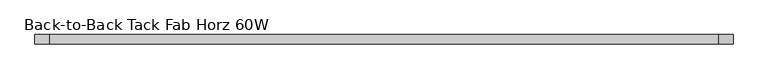
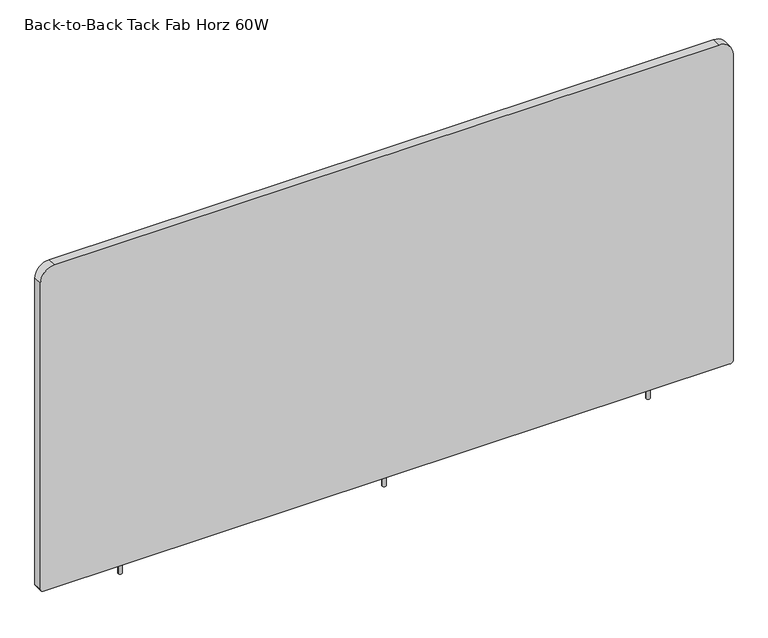
"""IFC4 building model written with IfcOpenShell, lengths in millimetres: furniture geometry, Back-to-Back Tack Fab Horz 60W."""

from ifc_helpers import new_model, si_unit, point, frame, frame_2d, origin, place, context, project, spatial, polyline, circle_curve, trimmed, segment, composite_curve, outline, extrude, source, transform, mapped, element, save


def back_to_back_tack_fab_horz_60w_ec21c664(model_context):
    return source(origin(), model_context, "Body", "SweptSolid", [
        extrude(outline(composite_curve([segment(trimmed(circle_curve(frame_2d((711.2, 0.0)), 3.81), [point((707.39, 0.0))], [point((715.01, 0.0))], False, "CARTESIAN"), True, "CONTINUOUS"), segment(trimmed(circle_curve(frame_2d((711.2, 0.0)), 3.81), [point((715.01, 0.0))], [point((707.39, 0.0))], False, "CARTESIAN"), True, "CONTINUOUS")], self_intersect=False)), frame((0.0, 0.0, 433.4256), z_axis=(0.0, 0.0, 1.0), x_axis=(1.0, 0.0, 0.0)), (0.0, 0.0, 1.0), 26.3906),
        extrude(outline(composite_curve([segment(trimmed(circle_curve(frame_2d((1253.109, 0.0)), 3.81), [point((1249.299, 0.0))], [point((1256.919, 0.0))], False, "CARTESIAN"), True, "CONTINUOUS"), segment(trimmed(circle_curve(frame_2d((1253.109, 0.0)), 3.81), [point((1256.919, 0.0))], [point((1249.299, 0.0))], False, "CARTESIAN"), True, "CONTINUOUS")], self_intersect=False)), frame((0.0, 0.0, 433.4256), z_axis=(0.0, 0.0, 1.0), x_axis=(1.0, 0.0, 0.0)), (0.0, 0.0, 1.0), 26.3906),
        extrude(outline(composite_curve([segment(trimmed(circle_curve(frame_2d((169.291, 0.0)), 3.81), [point((165.481, 0.0))], [point((173.101, 0.0))], False, "CARTESIAN"), True, "CONTINUOUS"), segment(trimmed(circle_curve(frame_2d((169.291, 0.0)), 3.81), [point((173.101, 0.0))], [point((165.481, 0.0))], False, "CARTESIAN"), True, "CONTINUOUS")], self_intersect=False)), frame((0.0, 0.0, 433.4256), z_axis=(0.0, 0.0, 1.0), x_axis=(1.0, 0.0, 0.0)), (0.0, 0.0, 1.0), 26.3906),
        extrude(outline(composite_curve([segment(polyline([(1156.5382, 1392.5042), (1156.5382, 29.8958)]), True, "CONTINUOUS"), segment(trimmed(circle_curve(frame_2d((1126.6424, 29.8958)), 29.8958), [point((1156.5382, 29.8958))], [point((1126.6424, 0.0))], False, "CARTESIAN"), True, "CONTINUOUS"), segment(polyline([(1126.6424, 0.0), (462.6102, 0.0)]), True, "CONTINUOUS"), segment(trimmed(circle_curve(frame_2d((462.6102, 6.35)), 6.35), [point((462.6102, 0.0))], [point((456.2602, 6.35))], False, "CARTESIAN"), True, "CONTINUOUS"), segment(polyline([(456.2602, 6.35), (456.2602, 1416.05)]), True, "CONTINUOUS"), segment(trimmed(circle_curve(frame_2d((462.6102, 1416.05)), 6.35), [point((456.2602, 1416.05))], [point((462.6102, 1422.4))], False, "CARTESIAN"), True, "CONTINUOUS"), segment(polyline([(462.6102, 1422.4), (1126.6424, 1422.4)]), True, "CONTINUOUS"), segment(trimmed(circle_curve(frame_2d((1126.6424, 1392.5042)), 29.8958), [point((1126.6424, 1422.4))], [point((1156.5382, 1392.5042))], False, "CARTESIAN"), True, "CONTINUOUS")], self_intersect=False)), frame((0.0, -9.5295067, 0.0), z_axis=(0.0, 1.0, 0.0), x_axis=(0.0, 0.0, 1.0)), (0.0, 0.0, 1.0), 19.05),
    ])


if __name__ == "__main__":
    model = new_model("IFC4")
    model_context = context("Model", 3, world=origin())
    ifc_project = project(units=[si_unit("LENGTHUNIT", "METRE", prefix="MILLI")], contexts=[model_context])
    site = spatial("IfcSite", under=ifc_project)
    building = spatial("IfcBuilding", under=site)
    placement = place(None, origin())
    back_to_back_tack_fab_horz_60w_shape = back_to_back_tack_fab_horz_60w_ec21c664(model_context)
    element("IfcFurniture", 1, ObjectType="Back-to-Back Tack Fab Horz 60W", at=placement, inside=building, context=model_context, shape_type="MappedRepresentation", body=[
        mapped(back_to_back_tack_fab_horz_60w_shape, transform((0.0, 0.0, 0.0), x_axis=(1.0, 0.0, 0.0), y_axis=(0.0, 1.0, 0.0), z_axis=(0.0, 0.0, 1.0))),
    ])
    save(model, "model.ifc")
